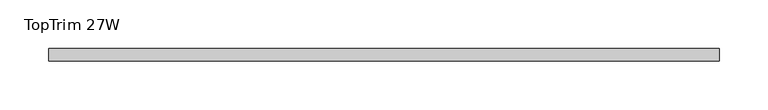
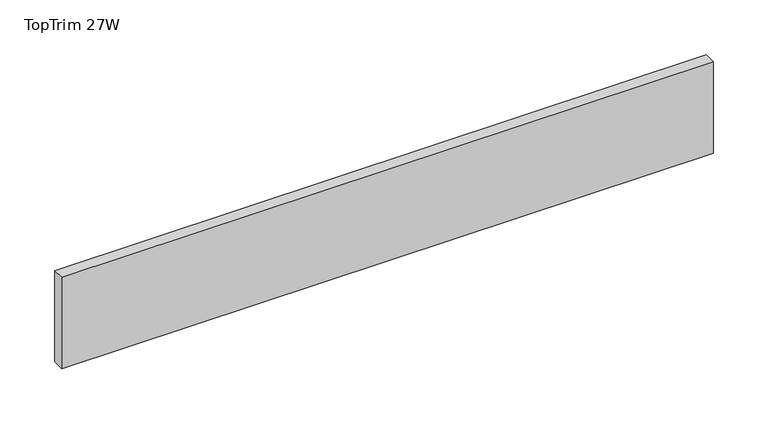
"""IFC4 building model written with IfcOpenShell, lengths in millimetres: furniture geometry, TopTrim 27W."""

import ifcopenshell
import ifcopenshell.guid

model = None  # the IFC model being written
_history = None  # IfcOwnerHistory: only IFC2X3 demands one
_inside = {}  # id of a spatial element -> (the spatial element, [elements in it])
_under = {}  # id of a project, library or spatial element -> (it, [spatial elements below it])
_declared = {}  # id of a project -> (the project, [libraries it declares])
_typed = {}  # id of a type object -> (the type object, [elements of that type])
_made_of = {}  # id of a material, layer set ... -> (it, [elements and type objects made of it])


def new_model(schema):
    """Start an empty IFC model of exactly this schema.

    Asked for "IFC4X3", IfcOpenShell would pick the latest addendum, in which some entities
    have other attributes; the version numbers below select the first issue.
    IFC2X3 requires an IfcOwnerHistory on every rooted entity: one is made here for all.
    """
    global model, _history
    if schema == "IFC4X3":
        model = ifcopenshell.file(schema_version=(4, 3, 0, 0))
    else:
        model = ifcopenshell.file(schema=schema)
    _inside.clear()
    _under.clear()
    _declared.clear()
    _typed.clear()
    _made_of.clear()
    _history = None
    if model.schema == "IFC2X3":
        org = make("IfcOrganization", Name="unknown")
        user = make(
            "IfcPersonAndOrganization",
            ThePerson=make("IfcPerson", FamilyName="unknown"),
            TheOrganization=org,
        )
        app = make(
            "IfcApplication",
            ApplicationDeveloper=org,
            Version="unknown",
            ApplicationFullName="unknown",
            ApplicationIdentifier="unknown",
        )
        _history = make(
            "IfcOwnerHistory",
            OwningUser=user,
            OwningApplication=app,
            ChangeAction="ADDED",
            CreationDate=0,
        )
    return model


def make(cls, **values):
    """One entity of the class cls with the attributes given. An attribute that is None is left unset."""
    return model.create_entity(
        cls, **{name: value for name, value in values.items() if value is not None}
    )


def rooted(cls, **values):
    """An entity with a GlobalId (a new one), such as an element, a storey or a relation."""
    return make(cls, GlobalId=ifcopenshell.guid.new(), OwnerHistory=_history, **values)


def si_unit(unit_type, name, prefix=None):
    """IfcSIUnit, for example si_unit("LENGTHUNIT", "METRE", prefix="MILLI")."""
    return make("IfcSIUnit", UnitType=unit_type, Prefix=prefix, Name=name)


def assignment(units):
    """IfcUnitAssignment: the units of a project."""
    return None if units is None else make("IfcUnitAssignment", Units=units)


def point(xyz):
    """IfcCartesianPoint."""
    return None if xyz is None else make("IfcCartesianPoint", Coordinates=xyz)


def direction(xyz):
    """IfcDirection."""
    return None if xyz is None else make("IfcDirection", DirectionRatios=xyz)


def frame(location, z_axis=None, x_axis=None):
    """IfcAxis2Placement3D, a coordinate frame: its origin and axes. An axis left out is left unset."""
    return make(
        "IfcAxis2Placement3D",
        Location=point(location),
        Axis=direction(z_axis),
        RefDirection=direction(x_axis),
    )


def origin():
    """The frame at (0, 0, 0) with its axes left unset."""
    return frame((0.0, 0.0, 0.0))


def place(relative_to, where):
    """IfcLocalPlacement: puts the frame where relative to a parent placement (None: the world)."""
    return make(
        "IfcLocalPlacement", PlacementRelTo=relative_to, RelativePlacement=where
    )


def context(
    kind, dimensions, precision=None, world=None, true_north=None, identifier=None
):
    """IfcGeometricRepresentationContext, for example the 3D "Model" context."""
    return make(
        "IfcGeometricRepresentationContext",
        ContextIdentifier=identifier,
        ContextType=kind,
        CoordinateSpaceDimension=dimensions,
        Precision=precision,
        WorldCoordinateSystem=world,
        TrueNorth=true_north,
    )


def project(units=None, contexts=None):
    """IfcProject with its units and contexts."""
    return rooted(
        "IfcProject",
        Name="project",
        RepresentationContexts=contexts,
        UnitsInContext=assignment(units),
    )


def spatial(cls, under=None, at=None, **own):
    """A site, building, storey or space (cls), placed at a placement, below another one or the project."""
    s = rooted(cls, ObjectPlacement=at, **own)
    if under is not None:
        _under.setdefault(under.id(), (under, []))[1].append(s)
    return s


def polyline(points):
    """IfcPolyline through the points."""
    return make("IfcPolyline", Points=[point(p) for p in points])


def outline(outer, holes=None, kind="AREA"):
    """IfcArbitraryClosedProfileDef: a profile drawn as a closed curve; with holes, ...WithVoids."""
    if holes is None:
        return make("IfcArbitraryClosedProfileDef", ProfileType=kind, OuterCurve=outer)
    return make(
        "IfcArbitraryProfileDefWithVoids",
        ProfileType=kind,
        OuterCurve=outer,
        InnerCurves=holes,
    )


def extrude(swept, where, along, depth):
    """IfcExtrudedAreaSolid: the profile swept, set in the frame where, extruded along a direction by depth."""
    return make(
        "IfcExtrudedAreaSolid",
        SweptArea=swept,
        Position=where,
        ExtrudedDirection=direction(along),
        Depth=depth,
    )


def shape(context_of_items, identifier, shape_type, items):
    """IfcShapeRepresentation: the items that make up one representation, for example the "Body"."""
    return make(
        "IfcShapeRepresentation",
        ContextOfItems=context_of_items,
        RepresentationIdentifier=identifier,
        RepresentationType=shape_type,
        Items=items,
    )


def source(mapping_origin, context_of_items, identifier, shape_type, items):
    """IfcRepresentationMap: a shape defined once, which mapped items show again and again."""
    return make(
        "IfcRepresentationMap",
        MappingOrigin=mapping_origin,
        MappedRepresentation=shape(context_of_items, identifier, shape_type, items),
    )


def transform(
    local_origin,
    x_axis=None,
    y_axis=None,
    z_axis=None,
    scale=None,
    scale2=None,
    scale3=None,
    uniform=True,
):
    """IfcCartesianTransformationOperator3D, or its non-uniform kind. x_axis, y_axis, z_axis: its Axis1, 2, 3."""
    if uniform:
        return make(
            "IfcCartesianTransformationOperator3D",
            Axis1=direction(x_axis),
            Axis2=direction(y_axis),
            LocalOrigin=point(local_origin),
            Scale=scale,
            Axis3=direction(z_axis),
        )
    return make(
        "IfcCartesianTransformationOperator3DnonUniform",
        Axis1=direction(x_axis),
        Axis2=direction(y_axis),
        LocalOrigin=point(local_origin),
        Scale=scale,
        Axis3=direction(z_axis),
        Scale2=scale2,
        Scale3=scale3,
    )


def mapped(mapping_source, mapping_target):
    """IfcMappedItem: shows the shape of a source again, moved by a transform."""
    return make(
        "IfcMappedItem", MappingSource=mapping_source, MappingTarget=mapping_target
    )


def made_of(thing, what):
    """Note that an element or type object is made of a material, layer set ...; save() writes the relation."""
    if what is not None:
        _made_of.setdefault(what.id(), (what, []))[1].append(thing)
    return thing


def element(
    cls,
    number,
    at=None,
    inside=None,
    cuts=None,
    type_object=None,
    material=None,
    context=None,
    identifier="Body",
    shape_type=None,
    held_by="IfcProductDefinitionShape",
    body=None,
    shapes=None,
    **own,
):
    """One element of the class cls, such as IfcWall. Its Tag is "e" and its number.

    at: its placement. inside: the storey or other place that contains it. cuts: it is an
    opening in that element (IfcRelVoidsElement). A single representation is given by context,
    identifier, shape_type and body (its items); several are given by shapes. held_by: the class
    of the entity that holds the representations. save() writes the other relations.
    """
    e = rooted(cls, Tag="e%d" % number, ObjectPlacement=at, **own)
    if body is not None:
        shapes = [shape(context, identifier, shape_type, body)]
    if shapes is not None:
        e.Representation = make(held_by, Representations=shapes)
    if inside is not None:
        _inside.setdefault(inside.id(), (inside, []))[1].append(e)
    if cuts is not None:
        rooted(
            "IfcRelVoidsElement", RelatingBuildingElement=cuts, RelatedOpeningElement=e
        )
    if type_object is not None:
        _typed.setdefault(type_object.id(), (type_object, []))[1].append(e)
    return made_of(e, material)


def aggregate(whole, parts):
    """IfcRelAggregates: a whole, such as a stair, and the parts it consists of."""
    return rooted("IfcRelAggregates", RelatingObject=whole, RelatedObjects=parts)


def save(model, path):
    """Write the relations noted so far, then the file.

    IfcRelAggregates (storeys below a building ...), IfcRelContainedInSpatialStructure (elements
    in a storey), IfcRelDefinesByType, IfcRelAssociatesMaterial and IfcRelDeclares: one each for
    every whole, place, type object, material and project.
    """
    for whole, parts in _under.values():
        aggregate(whole, parts)
    for where, things in _inside.values():
        rooted(
            "IfcRelContainedInSpatialStructure",
            RelatedElements=things,
            RelatingStructure=where,
        )
    for kind, things in _typed.values():
        rooted("IfcRelDefinesByType", RelatedObjects=things, RelatingType=kind)
    for what, things in _made_of.values():
        rooted("IfcRelAssociatesMaterial", RelatedObjects=things, RelatingMaterial=what)
    for by, libraries in _declared.values():
        rooted("IfcRelDeclares", RelatingContext=by, RelatedDefinitions=libraries)
    model.write(path)


def toptrim_27w_7328cabd(model_context):
    return source(origin(), model_context, "Body", "SweptSolid", [
        extrude(outline(polyline([(0.0, -50.8000015), (0.0, -38.1), (685.8, -38.1), (685.8, -50.8000015), (0.0, -50.8000015)])), frame((0.0, 0.0, 2184.4), z_axis=(0.0, 0.0, 1.0), x_axis=(1.0, 0.0, 0.0)), (0.0, 0.0, 1.0), 101.600003),
    ])


if __name__ == "__main__":
    model = new_model("IFC4")
    model_context = context("Model", 3, world=origin())
    ifc_project = project(units=[si_unit("LENGTHUNIT", "METRE", prefix="MILLI")], contexts=[model_context])
    site = spatial("IfcSite", under=ifc_project)
    building = spatial("IfcBuilding", under=site)
    placement = place(None, origin())
    toptrim_27w_shape = toptrim_27w_7328cabd(model_context)
    element("IfcFurniture", 1, ObjectType="TopTrim 27W", at=placement, inside=building, context=model_context, shape_type="MappedRepresentation", body=[
        mapped(toptrim_27w_shape, transform((0.0, 0.0, 0.0), x_axis=(1.0, 0.0, 0.0), y_axis=(0.0, 1.0, 0.0), z_axis=(0.0, 0.0, 1.0))),
    ])
    save(model, "model.ifc")
